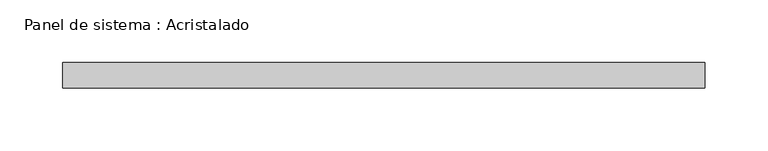
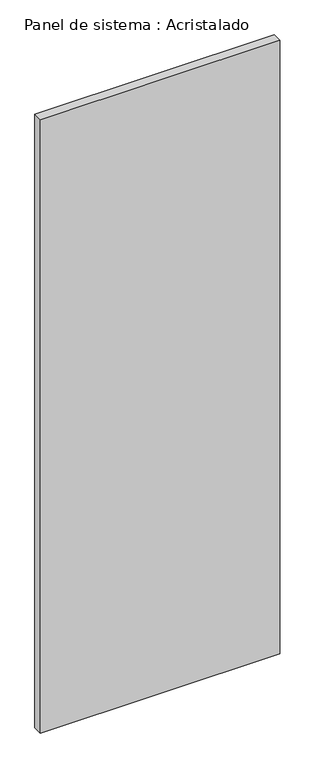
"""IFC4 building model written with IfcOpenShell, lengths in millimetres: plate geometry, Panel de sistema : Acristalado."""

from ifc_helpers import new_model, si_unit, origin, origin_with_axes, place, context, project, spatial, polyline, outline, extrude, source, transform, mapped, element, save


def panel_de_sistema_acristalado_10ceb3e6(model_context):
    return source(origin(), model_context, "Body", "SweptSolid", [
        extrude(outline(polyline([(255.0, -10.0), (-255.0, -10.0), (-255.0, 10.0), (255.0, 10.0), (255.0, -10.0)])), origin_with_axes(), (0.0, 0.0, 1.0), 1382.4904288),
    ])


if __name__ == "__main__":
    model = new_model("IFC4")
    model_context = context("Model", 3, world=origin())
    ifc_project = project(units=[si_unit("LENGTHUNIT", "METRE", prefix="MILLI")], contexts=[model_context])
    site = spatial("IfcSite", under=ifc_project)
    building = spatial("IfcBuilding", under=site)
    placement = place(None, origin())
    panel_de_sistema_acristalado_shape = panel_de_sistema_acristalado_10ceb3e6(model_context)
    element("IfcPlate", 1, ObjectType="Panel de sistema : Acristalado", at=placement, inside=building, context=model_context, shape_type="MappedRepresentation", body=[
        mapped(panel_de_sistema_acristalado_shape, transform((0.0, 0.0, 0.0), x_axis=(1.0, 0.0, 0.0), y_axis=(0.0, 1.0, 0.0), z_axis=(0.0, 0.0, 1.0))),
    ])
    save(model, "model.ifc")
